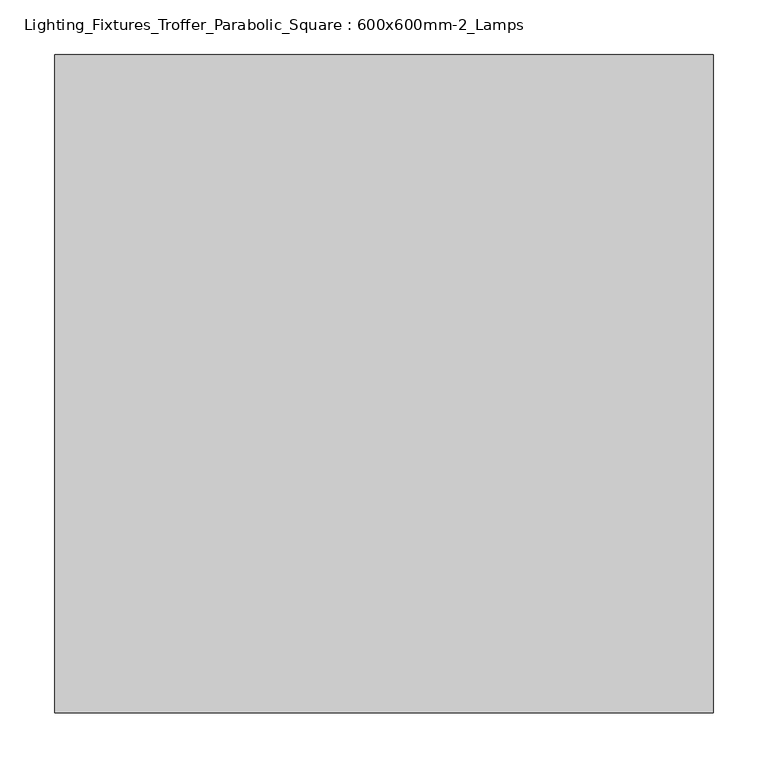
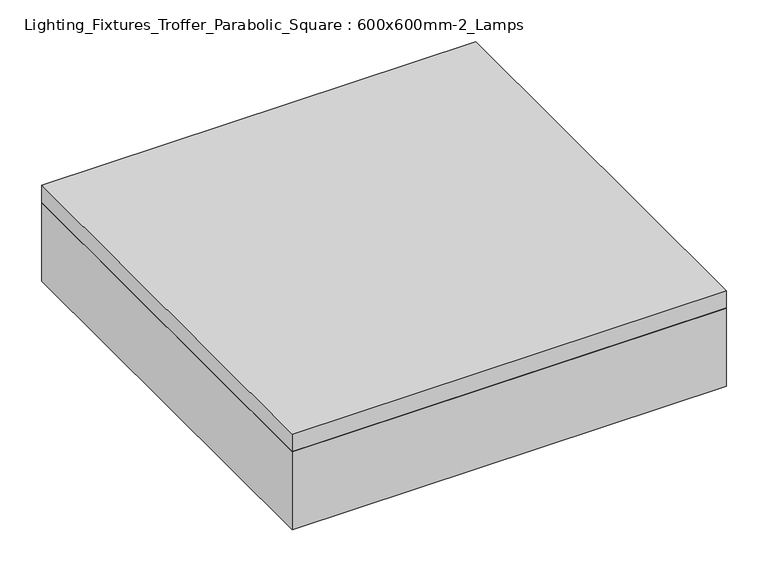
"""IFC4 building model written with IfcOpenShell, lengths in millimetres: light fixture geometry, Lighting_Fixtures_Troffer_Parabolic_Square : 600x600mm-2_Lamps."""

from ifc_helpers import new_model, si_unit, frame, origin, place, context, project, spatial, polyline, outline, extrude, source, transform, mapped, element, save


def lighting_fixtures_troffer_parabolic_square_600x600mm_2_lamps_e1dca80e(model_context):
    return source(origin(), model_context, "Body", "SweptSolid", [
        extrude(outline(polyline([(260.6964984, 219.9340679), (260.6964984, -338.8659321), (-298.1035016, -338.8659321), (-298.1035016, 219.9340679), (260.6964984, 219.9340679)]), holes=[polyline([(-113.9535016, 35.7840679), (-113.9535016, 213.5840679), (-291.7535016, 213.5840679), (-291.7535016, 35.7840679), (-113.9535016, 35.7840679)]), polyline([(-113.9535016, -148.3659321), (-113.9535016, 29.4340679), (-291.7535016, 29.4340679), (-291.7535016, -148.3659321), (-113.9535016, -148.3659321)]), polyline([(-113.9535016, -154.7159321), (-291.7535016, -154.7159321), (-291.7535016, -332.5159321), (-113.9535016, -332.5159321), (-113.9535016, -154.7159321)]), polyline([(70.1964984, 35.7840679), (70.1964984, 213.5840679), (-107.6035016, 213.5840679), (-107.6035016, 35.7840679), (70.1964984, 35.7840679)]), polyline([(70.1964984, -148.3659321), (70.1964984, 29.4340679), (-107.6035016, 29.4340679), (-107.6035016, -148.3659321), (70.1964984, -148.3659321)]), polyline([(70.1964984, -154.7159321), (-107.6035016, -154.7159321), (-107.6035016, -332.5159321), (70.1964984, -332.5159321), (70.1964984, -154.7159321)]), polyline([(254.3464984, 35.7840679), (254.3464984, 213.5840679), (76.5464984, 213.5840679), (76.5464984, 35.7840679), (254.3464984, 35.7840679)]), polyline([(254.3464984, -148.3659321), (254.3464984, 29.4340679), (76.5464984, 29.4340679), (76.5464984, -148.3659321), (254.3464984, -148.3659321)]), polyline([(254.3464984, -154.7159321), (76.5464984, -154.7159321), (76.5464984, -332.5159321), (254.3464984, -332.5159321), (254.3464984, -154.7159321)])]), frame((0.0, 0.0, 2438.4), z_axis=(0.0, 0.0, 1.0), x_axis=(1.0, 0.0, 0.0)), (0.0, 0.0, 1.0), 3.175),
        extrude(outline(polyline([(251.0964984, 219.9340679), (251.0964984, -329.2659321), (-298.1035016, -329.2659321), (-298.1035016, 219.9340679), (251.0964984, 219.9340679)])), frame((0.0, 0.0, 2514.6), z_axis=(0.0, 0.0, 1.0), x_axis=(1.0, 0.0, 0.0)), (0.0, 0.0, 1.0), 6.35),
        extrude(outline(polyline([(260.6964984, 219.9340679), (260.6964984, -338.8659321), (-298.1035016, -338.8659321), (-298.1035016, 219.9340679), (260.6964984, 219.9340679)]), holes=[polyline([(-113.9535016, 35.7840679), (-113.9535016, 213.5840679), (-291.7535016, 213.5840679), (-291.7535016, 35.7840679), (-113.9535016, 35.7840679)]), polyline([(-113.9535016, -148.3659321), (-113.9535016, 29.4340679), (-291.7535016, 29.4340679), (-291.7535016, -148.3659321), (-113.9535016, -148.3659321)]), polyline([(-113.9535016, -154.7159321), (-291.7535016, -154.7159321), (-291.7535016, -332.5159321), (-113.9535016, -332.5159321), (-113.9535016, -154.7159321)]), polyline([(70.1964984, 35.7840679), (70.1964984, 213.5840679), (-107.6035016, 213.5840679), (-107.6035016, 35.7840679), (70.1964984, 35.7840679)]), polyline([(70.1964984, -148.3659321), (70.1964984, 29.4340679), (-107.6035016, 29.4340679), (-107.6035016, -148.3659321), (70.1964984, -148.3659321)]), polyline([(70.1964984, -154.7159321), (-107.6035016, -154.7159321), (-107.6035016, -332.5159321), (70.1964984, -332.5159321), (70.1964984, -154.7159321)]), polyline([(254.3464984, 35.7840679), (254.3464984, 213.5840679), (76.5464984, 213.5840679), (76.5464984, 35.7840679), (254.3464984, 35.7840679)]), polyline([(254.3464984, -148.3659321), (254.3464984, 29.4340679), (76.5464984, 29.4340679), (76.5464984, -148.3659321), (254.3464984, -148.3659321)]), polyline([(254.3464984, -154.7159321), (76.5464984, -154.7159321), (76.5464984, -332.5159321), (254.3464984, -332.5159321), (254.3464984, -154.7159321)])]), frame((0.0, 0.0, 2441.575), z_axis=(0.0, 0.0, 1.0), x_axis=(1.0, 0.0, 0.0)), (0.0, 0.0, 1.0), 47.625),
        extrude(outline(polyline([(276.4964984, 245.3340679), (276.4964984, -354.6659321), (-323.5035016, -354.6659321), (-323.5035016, 245.3340679), (276.4964984, 245.3340679)]), holes=[polyline([(251.0964984, 219.9340679), (-298.1035016, 219.9340679), (-298.1035016, -329.2659321), (251.0964984, -329.2659321), (251.0964984, 219.9340679)])]), frame((0.0, 0.0, 2438.4), z_axis=(0.0, 0.0, 1.0), x_axis=(1.0, 0.0, 0.0)), (0.0, 0.0, 1.0), 114.3),
        extrude(outline(polyline([(276.4964984, 245.3340679), (276.4964984, -354.6659321), (-323.5035016, -354.6659321), (-323.5035016, 245.3340679), (276.4964984, 245.3340679)])), frame((0.0, 0.0, 2552.7), z_axis=(0.0, 0.0, 1.0), x_axis=(1.0, 0.0, 0.0)), (0.0, 0.0, 1.0), 25.4),
    ])


if __name__ == "__main__":
    model = new_model("IFC4")
    model_context = context("Model", 3, world=origin())
    ifc_project = project(units=[si_unit("LENGTHUNIT", "METRE", prefix="MILLI")], contexts=[model_context])
    site = spatial("IfcSite", under=ifc_project)
    building = spatial("IfcBuilding", under=site)
    placement = place(None, origin())
    lighting_fixtures_troffer_parabolic_square_600x600mm_2_lamps_shape = lighting_fixtures_troffer_parabolic_square_600x600mm_2_lamps_e1dca80e(model_context)
    element("IfcLightFixture", 1, ObjectType="Lighting_Fixtures_Troffer_Parabolic_Square : 600x600mm-2_Lamps", at=placement, inside=building, context=model_context, shape_type="MappedRepresentation", body=[
        mapped(lighting_fixtures_troffer_parabolic_square_600x600mm_2_lamps_shape, transform((0.0, 0.0, 0.0), x_axis=(1.0, 0.0, 0.0), y_axis=(0.0, 1.0, 0.0), z_axis=(0.0, 0.0, 1.0))),
    ])
    save(model, "model.ifc")
